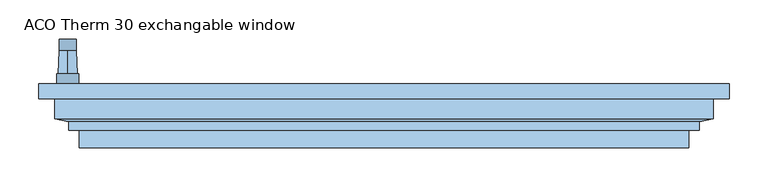
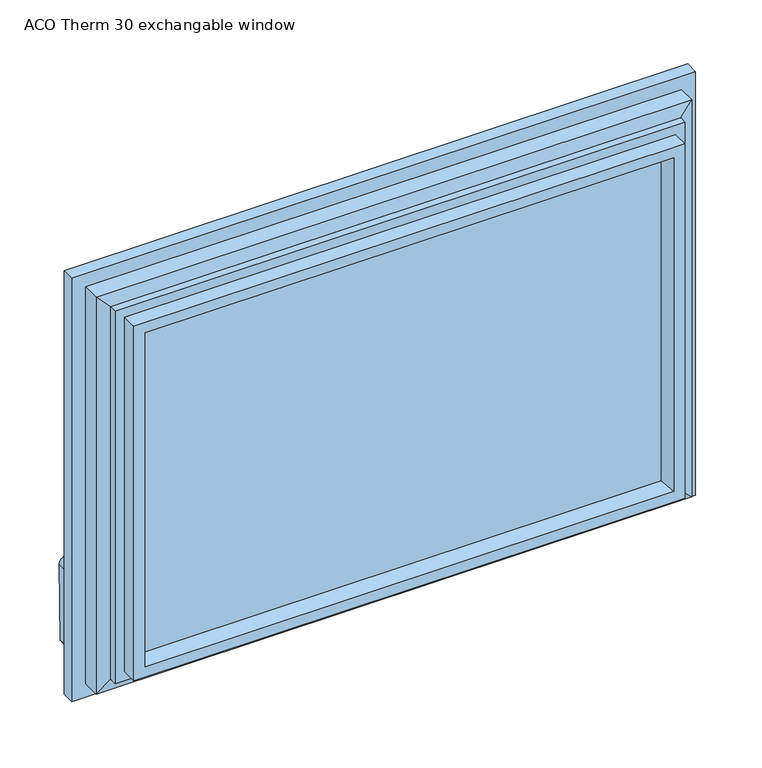
"""IFC4 building model written with IfcOpenShell, lengths in millimetres: window geometry, ACO Therm 30 exchangable window."""

from ifc_helpers import new_model, si_unit, point, frame, frame_2d, origin, place, context, project, spatial, polyline, circle_curve, trimmed, segment, composite_curve, outline, extrude, faceted_brep, source, transform, mapped, element, save
from ifc_brep_helpers import plane_surface, cylinder_surface, revolved_surface, advanced_brep


def aco_therm_30_exchangable_window_4b19a568(model_context):
    return source(origin(), model_context, "Body", "SolidModel", [
        advanced_brep(
        [(-391.2, -69.2, 220.2), (-391.2, -69.2, 184.8), (-419.8, -69.2, 184.8), (-419.8, -69.2, 220.2), (-405.5, -69.2, 190.5), (-405.5, -69.2, 214.5), (-391.2, -82.0, 220.2), (-419.8, -82.0, 220.2), (-419.8, -82.0, 184.8), (-391.2, -82.0, 184.8), (-405.5, -39.4162196, 213.45), (-405.5, -39.4162196, 191.55)],
        [
            (0, 1),
            (1, 2, circle_curve(frame((-405.5, -69.2, 184.8), z_axis=(0.0, 1.0, 0.0), x_axis=(-1.0, 0.0, 0.0)), 14.3)),
            (2, 3),
            (3, 0, circle_curve(frame((-405.5, -69.2, 220.2), z_axis=(0.0, 1.0, 0.0), x_axis=(-1.0, 0.0, 0.0)), 14.3)),
            (4, 5, circle_curve(frame((-405.5, -69.2, 202.5), z_axis=(0.0, -1.0, 0.0), x_axis=(0.0, 0.0, 1.0)), 12.0)),
            (5, 4, circle_curve(frame((-405.5, -69.2, 202.5), z_axis=(0.0, -1.0, 0.0), x_axis=(0.0, 0.0, -1.0)), 12.0)),
            (6, 7, circle_curve(frame((-405.5, -82.0, 220.2), z_axis=(0.0, -1.0, 0.0), x_axis=(-1.0, 0.0, 0.0)), 14.3)),
            (7, 8),
            (8, 9, circle_curve(frame((-405.5, -82.0, 184.8), z_axis=(0.0, -1.0, 0.0), x_axis=(-1.0, 0.0, 0.0)), 14.3)),
            (9, 6),
            (0, 6),
            (9, 1),
            (8, 2),
            (7, 3),
            (10, 11, circle_curve(frame((-405.5, -39.4162196, 202.5), z_axis=(0.0, 1.0, 0.0), x_axis=(0.0, 0.0, 1.0)), 10.95)),
            (11, 10, circle_curve(frame((-405.5, -39.4162196, 202.5), z_axis=(0.0, 1.0, 0.0), x_axis=(0.0, 0.0, -1.0)), 10.95)),
            (10, 5),
            (4, 11),
        ],
        [
            plane_surface(frame((-391.2, -69.2, 220.2), z_axis=(0.0, 1.0, 0.0), x_axis=(0.0, 0.0, -1.0))),
            plane_surface(frame((-391.2, -82.0, 220.2), z_axis=(0.0, -1.0, 0.0), x_axis=(0.0, 0.0, 1.0))),
            plane_surface(frame((-391.2, -69.2, 220.2), z_axis=(1.0, 0.0, 0.0), x_axis=(0.0, -1.0, 0.0))),
            cylinder_surface(frame((-405.5, -82.0, 184.8), z_axis=(0.0, 1.0, 0.0), x_axis=(-1.0, 0.0, 0.0)), 14.3),
            plane_surface(frame((-419.8, -69.2, 184.8), z_axis=(-1.0, 0.0, 0.0), x_axis=(0.0, -1.0, 0.0))),
            cylinder_surface(frame((-405.5, -82.0, 220.2), z_axis=(0.0, 1.0, 0.0), x_axis=(-1.0, 0.0, 0.0)), 14.3),
            plane_surface(frame((-405.5, -39.4162196, 202.5), z_axis=(0.0, 1.0, 0.0), x_axis=(1.0, 0.0, 0.0))),
            revolved_surface(polyline([(-405.5, -39.41621959999998, 213.4500000002644), (-405.5, -69.19999999999999, 214.5)]), (-405.5, 271.1860618, 202.5), (0.0, -1.0, 0.0)),
            revolved_surface(polyline([(-405.5, -39.41621959999998, 191.5499999997356), (-405.5, -69.19999999999999, 190.5)]), (-405.5, 271.1860618, 202.5), (0.0, -1.0, 0.0)),
        ],
        [
            (0, [[1, 2, 3, 4], [5, 6]]),
            (1, [[7, 8, 9, 10]]),
            (2, [[-1, 11, -10, 12]]),
            (3, [[-2, -12, -9, 13]]),
            (4, [[-3, -13, -8, 14]]),
            (5, [[-4, -14, -7, -11]]),
            (6, [[15, 16]]),
            (7, [[-15, 17, -5, 18]]),
            (8, [[-16, -18, -6, -17]]),
        ],
    ),
        extrude(outline(composite_curve([segment(trimmed(circle_curve(frame_2d((89.5593058, -409.4580365)), 5.1186159), [point((89.5592661, -414.5766524))], [point((84.4406899, -409.4580365))], False, "CARTESIAN"), True, "CONTINUOUS"), segment(polyline([(84.4406899, -409.4580365), (84.4406899, -401.5419635)]), True, "CONTINUOUS"), segment(trimmed(circle_curve(frame_2d((89.5593058, -401.5419635)), 5.1186159), [point((84.4406899, -401.5419635))], [point((89.3895475, -396.4261634))], False, "CARTESIAN"), True, "CONTINUOUS"), segment(polyline([(89.3895475, -396.4261634), (202.5, -394.55)]), True, "CONTINUOUS"), segment(trimmed(circle_curve(frame_2d((202.5, -405.5)), 10.95), [point((202.5, -394.55))], [point((202.5, -416.45))], False, "CARTESIAN"), True, "CONTINUOUS"), segment(polyline([(202.5, -416.45), (89.5592661, -414.5766524)]), True, "CONTINUOUS")], self_intersect=False)), frame((0.0, -39.4162196, 0.0), z_axis=(0.0, 1.0, 0.0), x_axis=(0.0, 0.0, 1.0)), (0.0, 0.0, 1.0), 15.0),
        extrude(outline(polyline([(386.5, -103.0), (386.5, -107.0), (-386.5, -107.0), (-386.5, -103.0), (386.5, -103.0)])), frame((0.0, 0.0, 108.5), z_axis=(0.0, 0.0, 1.0), x_axis=(1.0, 0.0, 0.0)), (0.0, 0.0, 1.0), 523.0),
        extrude(outline(polyline([(386.5, -139.0), (386.5, -143.0), (-386.5, -143.0), (-386.5, -139.0), (386.5, -139.0)])), frame((0.0, 0.0, 108.5), z_axis=(0.0, 0.0, 1.0), x_axis=(1.0, 0.0, 0.0)), (0.0, 0.0, 1.0), 523.0),
        extrude(outline(polyline([(386.5, -121.0), (386.5, -125.0), (-386.5, -125.0), (-386.5, -121.0), (386.5, -121.0)])), frame((0.0, 0.0, 108.5), z_axis=(0.0, 0.0, 1.0), x_axis=(1.0, 0.0, 0.0)), (0.0, 0.0, 1.0), 523.0),
        faceted_brep([(422.5, -101.0, 667.5), (422.5, -126.45, 667.5), (422.5, -126.45, 72.5), (422.5, -101.0, 72.5), (442.5, -82.0, 687.5), (442.5, -101.0, 687.5), (442.5, -101.0, 52.5), (442.5, -82.0, 52.5), (370.3364776, -103.0, 615.3364776), (359.6599742, -82.0, 604.6599742), (359.6599742, -82.0, 135.3400258), (370.3364776, -103.0, 124.6635224), (386.5, -143.0, 631.5), (386.5, -103.0, 631.5), (386.5, -103.0, 108.5), (386.5, -143.0, 108.5), (375.1595631, -164.0, 620.1595631), (369.53263, -143.0, 614.53263), (369.53263, -143.0, 125.46737), (375.1595631, -164.0, 119.8404369), (390.9018435, -164.0, 635.9018435), (390.9018435, -164.0, 104.0981565), (390.9018435, -141.5, 104.0981565), (390.9018435, -141.5, 635.9018435), (404.3518435, -130.6, 649.3518435), (404.3518435, -141.5, 649.3518435), (404.3518435, -141.5, 90.6481565), (404.3518435, -130.6, 90.6481565), (-422.5, -126.45, 72.5), (-422.5, -101.0, 72.5), (-442.5, -101.0, 52.5), (-442.5, -82.0, 52.5), (-359.6599742, -82.0, 135.3400258), (-370.3364776, -103.0, 124.6635224), (-386.5, -103.0, 108.5), (-386.5, -143.0, 108.5), (-369.53263, -143.0, 125.46737), (-375.1595631, -164.0, 119.8404369), (-390.9018435, -164.0, 104.0981565), (-390.9018435, -141.5, 104.0981565), (-404.3518435, -141.5, 90.6481565), (-404.3518435, -130.6, 90.6481565), (-422.5, -126.45, 667.5), (-422.5, -101.0, 667.5), (-442.5, -101.0, 687.5), (-442.5, -82.0, 687.5), (-359.6599742, -82.0, 604.6599742), (-370.3364776, -103.0, 615.3364776), (-386.5, -103.0, 631.5), (-386.5, -143.0, 631.5), (-369.53263, -143.0, 614.53263), (-375.1595631, -164.0, 620.1595631), (-390.9018435, -164.0, 635.9018435), (-390.9018435, -141.5, 635.9018435), (-404.3518435, -141.5, 649.3518435), (-404.3518435, -130.6, 649.3518435)], [[[0, 1, 2, 3]], [[4, 5, 6, 7]], [[8, 9, 10, 11]], [[12, 13, 14, 15]], [[16, 17, 18, 19]], [[20, 21, 22, 23]], [[24, 25, 26, 27]], [[1, 24, 27, 2]], [[3, 2, 28, 29]], [[7, 6, 30, 31]], [[11, 10, 32, 33]], [[15, 14, 34, 35]], [[19, 18, 36, 37]], [[22, 21, 38, 39]], [[27, 26, 40, 41]], [[2, 27, 41, 28]], [[29, 28, 42, 43]], [[31, 30, 44, 45]], [[33, 32, 46, 47]], [[35, 34, 48, 49]], [[37, 36, 50, 51]], [[39, 38, 52, 53]], [[41, 40, 54, 55]], [[28, 41, 55, 42]], [[43, 42, 1, 0]], [[5, 44, 30, 6], [3, 29, 43, 0]], [[45, 44, 5, 4]], [[7, 31, 45, 4], [9, 46, 32, 10]], [[47, 46, 9, 8]], [[13, 48, 34, 14], [11, 33, 47, 8]], [[49, 48, 13, 12]], [[15, 35, 49, 12], [17, 50, 36, 18]], [[51, 50, 17, 16]], [[20, 52, 38, 21], [19, 37, 51, 16]], [[53, 52, 20, 23]], [[25, 54, 40, 26], [22, 39, 53, 23]], [[55, 54, 25, 24]], [[42, 55, 24, 1]]]),
    ])


if __name__ == "__main__":
    model = new_model("IFC4")
    model_context = context("Model", 3, world=origin())
    ifc_project = project(units=[si_unit("LENGTHUNIT", "METRE", prefix="MILLI")], contexts=[model_context])
    site = spatial("IfcSite", under=ifc_project)
    building = spatial("IfcBuilding", under=site)
    placement = place(None, origin())
    aco_therm_30_exchangable_window_shape = aco_therm_30_exchangable_window_4b19a568(model_context)
    element("IfcWindow", 1, ObjectType="ACO Therm 30 exchangable window", at=placement, inside=building, context=model_context, shape_type="MappedRepresentation", body=[
        mapped(aco_therm_30_exchangable_window_shape, transform((0.0, 0.0, 0.0), x_axis=(1.0, 0.0, 0.0), y_axis=(0.0, 1.0, 0.0), z_axis=(0.0, 0.0, 1.0))),
    ])
    save(model, "model.ifc")
